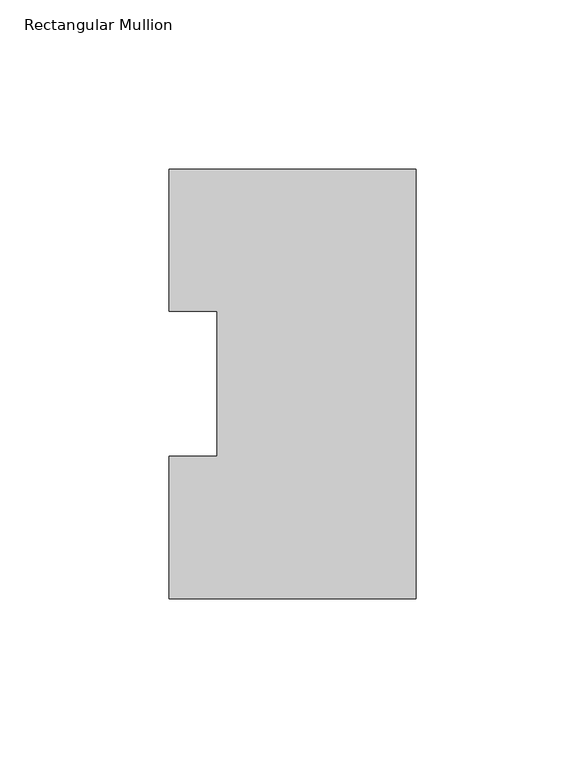
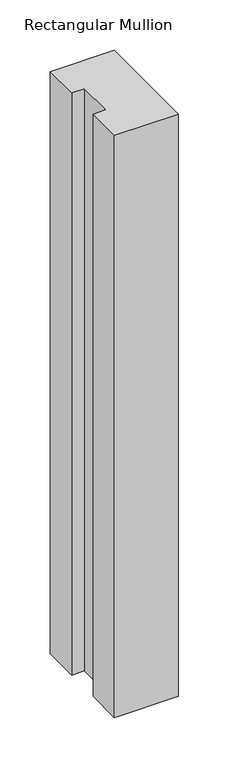
"""IFC4 building model written with IfcOpenShell, lengths in millimetres: member geometry, Rectangular Mullion."""

from ifc_helpers import new_model, si_unit, frame, origin, place, context, project, spatial, polyline, outline, extrude, source, transform, mapped, element, save


def rectangular_mullion_84a7f1f0(model_context):
    return source(origin(), model_context, "Body", "SweptSolid", [
        extrude(outline(polyline([(0.0, 127.006348), (0.0, 0.0063465), (-73.025, 0.0063465), (-73.025, 42.0814491), (-58.7375, 42.0814491), (-58.7375, 84.93125), (-73.025, 84.93125), (-73.025, 127.006348), (0.0, 127.006348)])), frame((0.0, 0.0, -704.81825), z_axis=(0.0, 0.0, 1.0), x_axis=(1.0, 0.0, 0.0)), (0.0, 0.0, 1.0), 704.81825),
    ])


if __name__ == "__main__":
    model = new_model("IFC4")
    model_context = context("Model", 3, world=origin())
    ifc_project = project(units=[si_unit("LENGTHUNIT", "METRE", prefix="MILLI")], contexts=[model_context])
    site = spatial("IfcSite", under=ifc_project)
    building = spatial("IfcBuilding", under=site)
    placement = place(None, origin())
    rectangular_mullion_shape = rectangular_mullion_84a7f1f0(model_context)
    element("IfcMember", 1, ObjectType="Rectangular Mullion", at=placement, inside=building, context=model_context, shape_type="MappedRepresentation", body=[
        mapped(rectangular_mullion_shape, transform((0.0, 0.0, 0.0), x_axis=(1.0, 0.0, 0.0), y_axis=(0.0, 1.0, 0.0), z_axis=(0.0, 0.0, 1.0))),
    ])
    save(model, "model.ifc")
